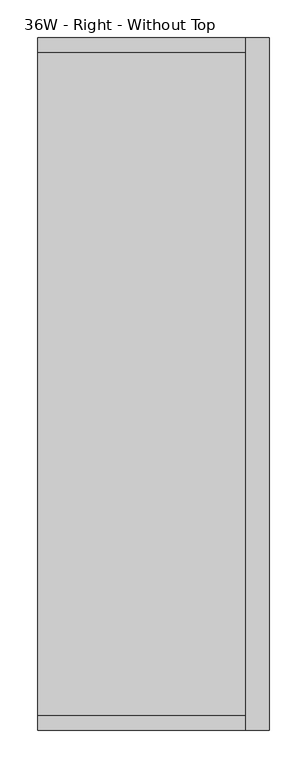
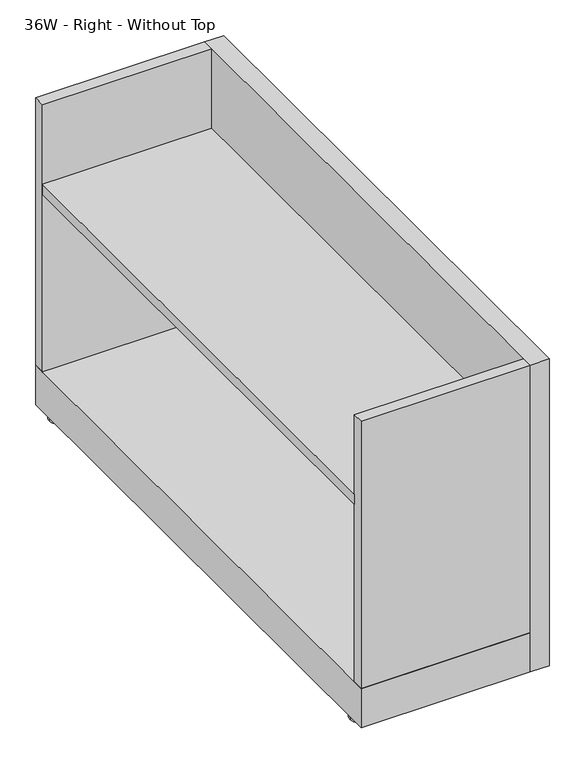
"""IFC4 building model written with IfcOpenShell, lengths in millimetres: furniture geometry, 36W - Right - Without Top."""

from ifc_helpers import new_model, si_unit, point, frame, frame_2d, origin, origin_with_axes, place, context, project, spatial, polyline, circle_curve, trimmed, segment, composite_curve, outline, extrude, source, transform, mapped, element, save


def furniture_36w_right_without_top_a09744ce(model_context):
    return source(origin(), model_context, "Body", "SweptSolid", [
        extrude(outline(polyline([(4258.0841456, -17.1421639), (4258.0841456, -893.5019518), (3983.6768331, -893.5019518), (3983.6768331, -17.1421639), (4258.0841456, -17.1421639)])), frame((0.0, 0.0, 379.8896753), z_axis=(0.0, 0.0, 1.0), x_axis=(1.0, 0.0, 0.0)), (0.0, 0.0, 1.0), 16.9345247),
        extrude(outline(composite_curve([segment(trimmed(circle_curve(frame_2d((4003.8002051, -32.9967175)), 17.837339), [point((4021.6375441, -32.9967175))], [point((3985.9628661, -32.9967175))], False, "CARTESIAN"), True, "CONTINUOUS"), segment(trimmed(circle_curve(frame_2d((4003.8002051, -32.9967175)), 17.837339), [point((3985.9628661, -32.9967175))], [point((4021.6375441, -32.9967175))], False, "CARTESIAN"), True, "CONTINUOUS")], self_intersect=False)), origin_with_axes(), (0.0, 0.0, 1.0), 4.2238198),
        extrude(outline(composite_curve([segment(trimmed(circle_curve(frame_2d((4266.8886886, -32.9967175)), 17.78), [point((4284.6686886, -32.9967175))], [point((4249.1086886, -32.9967175))], False, "CARTESIAN"), True, "CONTINUOUS"), segment(trimmed(circle_curve(frame_2d((4266.8886886, -32.9967175)), 17.78), [point((4249.1086886, -32.9967175))], [point((4284.6686886, -32.9967175))], False, "CARTESIAN"), True, "CONTINUOUS")], self_intersect=False)), origin_with_axes(), (0.0, 0.0, 1.0), 4.2238198),
        extrude(outline(composite_curve([segment(trimmed(circle_curve(frame_2d((4003.8002051, -877.5541783)), 17.8169808), [point((4021.6171859, -877.5541783))], [point((3985.9832243, -877.5541783))], False, "CARTESIAN"), True, "CONTINUOUS"), segment(trimmed(circle_curve(frame_2d((4003.8002051, -877.5541783)), 17.8169808), [point((3985.9832243, -877.5541783))], [point((4021.6171859, -877.5541783))], False, "CARTESIAN"), True, "CONTINUOUS")], self_intersect=False)), origin_with_axes(), (0.0, 0.0, 1.0), 4.2238198),
        extrude(outline(composite_curve([segment(trimmed(circle_curve(frame_2d((4266.8886886, -877.5541783)), 17.8240807), [point((4284.7127694, -877.5541783))], [point((4249.0646079, -877.5541783))], False, "CARTESIAN"), True, "CONTINUOUS"), segment(trimmed(circle_curve(frame_2d((4266.8886886, -877.5541783)), 17.8240807), [point((4249.0646079, -877.5541783))], [point((4284.7127694, -877.5541783))], False, "CARTESIAN"), True, "CONTINUOUS")], self_intersect=False)), origin_with_axes(), (0.0, 0.0, 1.0), 4.2238198),
        extrude(outline(polyline([(4258.0841456, -912.4723958), (4258.0841456, 1.9276042), (4289.0721456, 1.9276042), (4289.0721456, -912.4723958), (4258.0841456, -912.4723958)])), frame((0.0, 0.0, 7.5889297), z_axis=(0.0, 0.0, 1.0), x_axis=(1.0, 0.0, 0.0)), (0.0, 0.0, 1.0), 525.8110703),
        extrude(outline(polyline([(4258.0841456, 1.9276042), (4258.0841456, -912.4723958), (3983.6768331, -912.4723958), (3983.6768331, 1.9276042), (4258.0841456, 1.9276042)])), frame((0.0, 0.0, 7.5889297), z_axis=(0.0, 0.0, 1.0), x_axis=(1.0, 0.0, 0.0)), (0.0, 0.0, 1.0), 67.4270526),
        extrude(outline(polyline([(3983.6768331, -893.5019518), (4258.0841456, -893.5019518), (4258.0841456, -912.4723958), (3983.6768331, -912.4723958), (3983.6768331, -893.5019518)])), frame((0.0, 0.0, 75.0159824), z_axis=(0.0, 0.0, 1.0), x_axis=(1.0, 0.0, 0.0)), (0.0, 0.0, 1.0), 458.3840176),
        extrude(outline(polyline([(3983.6768331, -17.1421639), (3983.6768331, 1.9276042), (4258.0841456, 1.9276042), (4258.0841456, -17.1421639), (3983.6768331, -17.1421639)])), frame((0.0, 0.0, 75.0159824), z_axis=(0.0, 0.0, 1.0), x_axis=(1.0, 0.0, 0.0)), (0.0, 0.0, 1.0), 458.3840176),
    ])


if __name__ == "__main__":
    model = new_model("IFC4")
    model_context = context("Model", 3, world=origin())
    ifc_project = project(units=[si_unit("LENGTHUNIT", "METRE", prefix="MILLI")], contexts=[model_context])
    site = spatial("IfcSite", under=ifc_project)
    building = spatial("IfcBuilding", under=site)
    placement = place(None, origin())
    furniture_36w_right_without_top_shape = furniture_36w_right_without_top_a09744ce(model_context)
    element("IfcFurniture", 1, ObjectType="36W - Right - Without Top", at=placement, inside=building, context=model_context, shape_type="MappedRepresentation", body=[
        mapped(furniture_36w_right_without_top_shape, transform((0.0, 0.0, 0.0), x_axis=(1.0, 0.0, 0.0), y_axis=(0.0, 1.0, 0.0), z_axis=(0.0, 0.0, 1.0))),
    ])
    save(model, "model.ifc")
